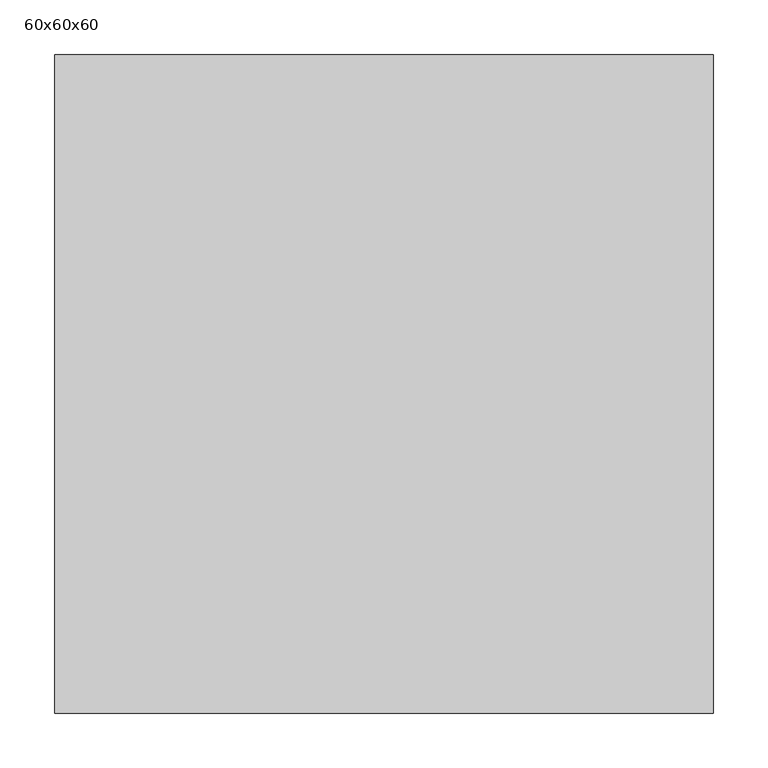
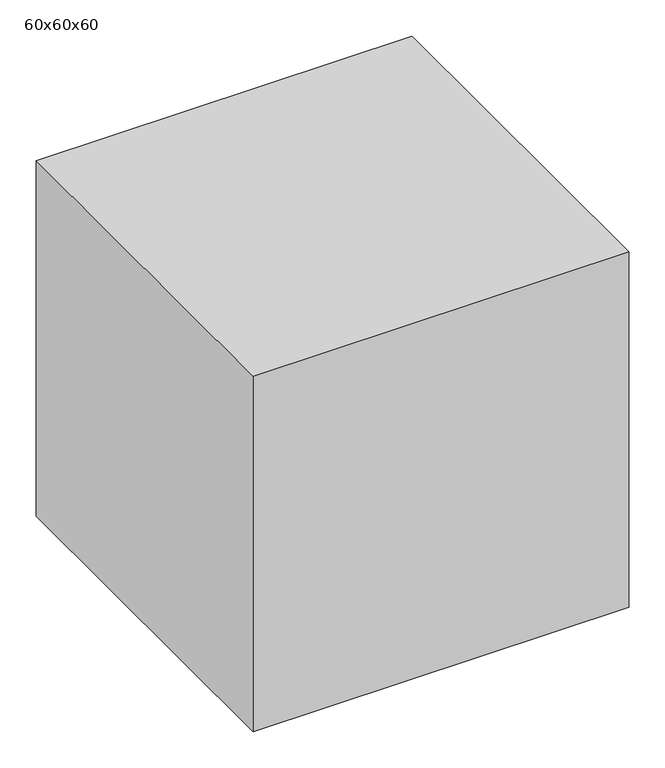
"""IFC4 building model written with IfcOpenShell, lengths in millimetres: proxy geometry, 60x60x60."""

from ifc_helpers import new_model, si_unit, origin, origin_with_axes, place, context, project, spatial, polyline, outline, extrude, source, transform, mapped, element, save


def proxy_60x60x60_dee50408(model_context):
    return source(origin(), model_context, "Body", "SweptSolid", [
        extrude(outline(polyline([(600.0, 600.0), (600.0, 0.0), (0.0, 0.0), (0.0, 600.0), (600.0, 600.0)])), origin_with_axes(), (0.0, 0.0, 1.0), 600.0),
    ])


if __name__ == "__main__":
    model = new_model("IFC4")
    model_context = context("Model", 3, world=origin())
    ifc_project = project(units=[si_unit("LENGTHUNIT", "METRE", prefix="MILLI")], contexts=[model_context])
    site = spatial("IfcSite", under=ifc_project)
    building = spatial("IfcBuilding", under=site)
    placement = place(None, origin())
    proxy_60x60x60_shape = proxy_60x60x60_dee50408(model_context)
    element("IfcBuildingElementProxy", 1, Name="60x60x60", ObjectType="60x60x60", at=placement, inside=building, context=model_context, shape_type="MappedRepresentation", body=[
        mapped(proxy_60x60x60_shape, transform((0.0, 0.0, 0.0), x_axis=(1.0, 0.0, 0.0), y_axis=(0.0, 1.0, 0.0), z_axis=(0.0, 0.0, 1.0))),
    ])
    save(model, "model.ifc")
